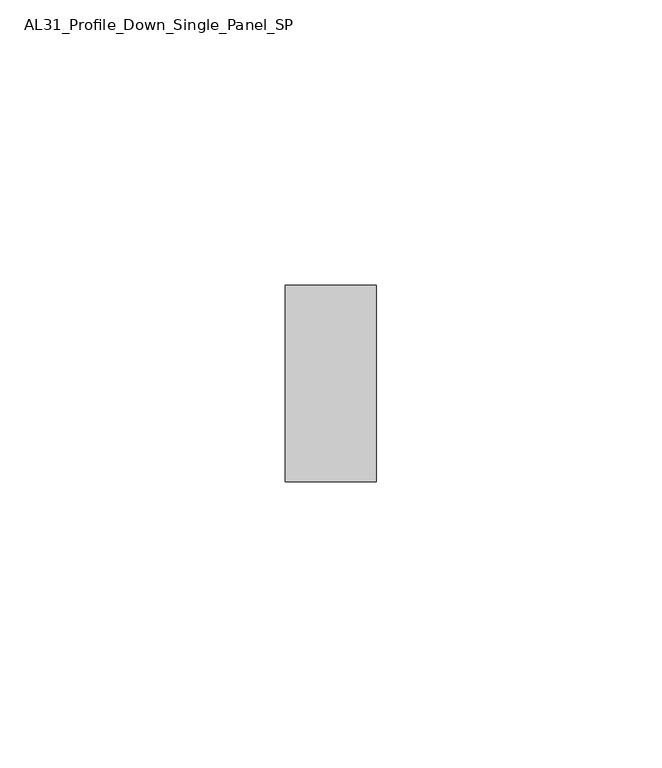
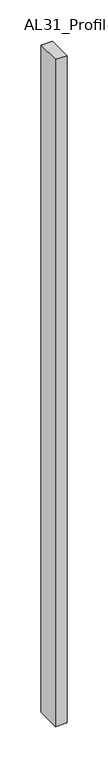
"""IFC4 building model written with IfcOpenShell, lengths in millimetres: member geometry, AL31_Profile_Down_Single_Panel_SP."""

import ifcopenshell
import ifcopenshell.guid

model = None  # the IFC model being written
_history = None  # IfcOwnerHistory: only IFC2X3 demands one
_inside = {}  # id of a spatial element -> (the spatial element, [elements in it])
_under = {}  # id of a project, library or spatial element -> (it, [spatial elements below it])
_declared = {}  # id of a project -> (the project, [libraries it declares])
_typed = {}  # id of a type object -> (the type object, [elements of that type])
_made_of = {}  # id of a material, layer set ... -> (it, [elements and type objects made of it])


def new_model(schema):
    """Start an empty IFC model of exactly this schema.

    Asked for "IFC4X3", IfcOpenShell would pick the latest addendum, in which some entities
    have other attributes; the version numbers below select the first issue.
    IFC2X3 requires an IfcOwnerHistory on every rooted entity: one is made here for all.
    """
    global model, _history
    if schema == "IFC4X3":
        model = ifcopenshell.file(schema_version=(4, 3, 0, 0))
    else:
        model = ifcopenshell.file(schema=schema)
    _inside.clear()
    _under.clear()
    _declared.clear()
    _typed.clear()
    _made_of.clear()
    _history = None
    if model.schema == "IFC2X3":
        org = make("IfcOrganization", Name="unknown")
        user = make(
            "IfcPersonAndOrganization",
            ThePerson=make("IfcPerson", FamilyName="unknown"),
            TheOrganization=org,
        )
        app = make(
            "IfcApplication",
            ApplicationDeveloper=org,
            Version="unknown",
            ApplicationFullName="unknown",
            ApplicationIdentifier="unknown",
        )
        _history = make(
            "IfcOwnerHistory",
            OwningUser=user,
            OwningApplication=app,
            ChangeAction="ADDED",
            CreationDate=0,
        )
    return model


def make(cls, **values):
    """One entity of the class cls with the attributes given. An attribute that is None is left unset."""
    return model.create_entity(
        cls, **{name: value for name, value in values.items() if value is not None}
    )


def rooted(cls, **values):
    """An entity with a GlobalId (a new one), such as an element, a storey or a relation."""
    return make(cls, GlobalId=ifcopenshell.guid.new(), OwnerHistory=_history, **values)


def si_unit(unit_type, name, prefix=None):
    """IfcSIUnit, for example si_unit("LENGTHUNIT", "METRE", prefix="MILLI")."""
    return make("IfcSIUnit", UnitType=unit_type, Prefix=prefix, Name=name)


def assignment(units):
    """IfcUnitAssignment: the units of a project."""
    return None if units is None else make("IfcUnitAssignment", Units=units)


def point(xyz):
    """IfcCartesianPoint."""
    return None if xyz is None else make("IfcCartesianPoint", Coordinates=xyz)


def direction(xyz):
    """IfcDirection."""
    return None if xyz is None else make("IfcDirection", DirectionRatios=xyz)


def frame(location, z_axis=None, x_axis=None):
    """IfcAxis2Placement3D, a coordinate frame: its origin and axes. An axis left out is left unset."""
    return make(
        "IfcAxis2Placement3D",
        Location=point(location),
        Axis=direction(z_axis),
        RefDirection=direction(x_axis),
    )


def origin():
    """The frame at (0, 0, 0) with its axes left unset."""
    return frame((0.0, 0.0, 0.0))


def place(relative_to, where):
    """IfcLocalPlacement: puts the frame where relative to a parent placement (None: the world)."""
    return make(
        "IfcLocalPlacement", PlacementRelTo=relative_to, RelativePlacement=where
    )


def context(
    kind, dimensions, precision=None, world=None, true_north=None, identifier=None
):
    """IfcGeometricRepresentationContext, for example the 3D "Model" context."""
    return make(
        "IfcGeometricRepresentationContext",
        ContextIdentifier=identifier,
        ContextType=kind,
        CoordinateSpaceDimension=dimensions,
        Precision=precision,
        WorldCoordinateSystem=world,
        TrueNorth=true_north,
    )


def project(units=None, contexts=None):
    """IfcProject with its units and contexts."""
    return rooted(
        "IfcProject",
        Name="project",
        RepresentationContexts=contexts,
        UnitsInContext=assignment(units),
    )


def spatial(cls, under=None, at=None, **own):
    """A site, building, storey or space (cls), placed at a placement, below another one or the project."""
    s = rooted(cls, ObjectPlacement=at, **own)
    if under is not None:
        _under.setdefault(under.id(), (under, []))[1].append(s)
    return s


def polyline(points):
    """IfcPolyline through the points."""
    return make("IfcPolyline", Points=[point(p) for p in points])


def outline(outer, holes=None, kind="AREA"):
    """IfcArbitraryClosedProfileDef: a profile drawn as a closed curve; with holes, ...WithVoids."""
    if holes is None:
        return make("IfcArbitraryClosedProfileDef", ProfileType=kind, OuterCurve=outer)
    return make(
        "IfcArbitraryProfileDefWithVoids",
        ProfileType=kind,
        OuterCurve=outer,
        InnerCurves=holes,
    )


def extrude(swept, where, along, depth):
    """IfcExtrudedAreaSolid: the profile swept, set in the frame where, extruded along a direction by depth."""
    return make(
        "IfcExtrudedAreaSolid",
        SweptArea=swept,
        Position=where,
        ExtrudedDirection=direction(along),
        Depth=depth,
    )


def shape(context_of_items, identifier, shape_type, items):
    """IfcShapeRepresentation: the items that make up one representation, for example the "Body"."""
    return make(
        "IfcShapeRepresentation",
        ContextOfItems=context_of_items,
        RepresentationIdentifier=identifier,
        RepresentationType=shape_type,
        Items=items,
    )


def source(mapping_origin, context_of_items, identifier, shape_type, items):
    """IfcRepresentationMap: a shape defined once, which mapped items show again and again."""
    return make(
        "IfcRepresentationMap",
        MappingOrigin=mapping_origin,
        MappedRepresentation=shape(context_of_items, identifier, shape_type, items),
    )


def transform(
    local_origin,
    x_axis=None,
    y_axis=None,
    z_axis=None,
    scale=None,
    scale2=None,
    scale3=None,
    uniform=True,
):
    """IfcCartesianTransformationOperator3D, or its non-uniform kind. x_axis, y_axis, z_axis: its Axis1, 2, 3."""
    if uniform:
        return make(
            "IfcCartesianTransformationOperator3D",
            Axis1=direction(x_axis),
            Axis2=direction(y_axis),
            LocalOrigin=point(local_origin),
            Scale=scale,
            Axis3=direction(z_axis),
        )
    return make(
        "IfcCartesianTransformationOperator3DnonUniform",
        Axis1=direction(x_axis),
        Axis2=direction(y_axis),
        LocalOrigin=point(local_origin),
        Scale=scale,
        Axis3=direction(z_axis),
        Scale2=scale2,
        Scale3=scale3,
    )


def mapped(mapping_source, mapping_target):
    """IfcMappedItem: shows the shape of a source again, moved by a transform."""
    return make(
        "IfcMappedItem", MappingSource=mapping_source, MappingTarget=mapping_target
    )


def made_of(thing, what):
    """Note that an element or type object is made of a material, layer set ...; save() writes the relation."""
    if what is not None:
        _made_of.setdefault(what.id(), (what, []))[1].append(thing)
    return thing


def element(
    cls,
    number,
    at=None,
    inside=None,
    cuts=None,
    type_object=None,
    material=None,
    context=None,
    identifier="Body",
    shape_type=None,
    held_by="IfcProductDefinitionShape",
    body=None,
    shapes=None,
    **own,
):
    """One element of the class cls, such as IfcWall. Its Tag is "e" and its number.

    at: its placement. inside: the storey or other place that contains it. cuts: it is an
    opening in that element (IfcRelVoidsElement). A single representation is given by context,
    identifier, shape_type and body (its items); several are given by shapes. held_by: the class
    of the entity that holds the representations. save() writes the other relations.
    """
    e = rooted(cls, Tag="e%d" % number, ObjectPlacement=at, **own)
    if body is not None:
        shapes = [shape(context, identifier, shape_type, body)]
    if shapes is not None:
        e.Representation = make(held_by, Representations=shapes)
    if inside is not None:
        _inside.setdefault(inside.id(), (inside, []))[1].append(e)
    if cuts is not None:
        rooted(
            "IfcRelVoidsElement", RelatingBuildingElement=cuts, RelatedOpeningElement=e
        )
    if type_object is not None:
        _typed.setdefault(type_object.id(), (type_object, []))[1].append(e)
    return made_of(e, material)


def aggregate(whole, parts):
    """IfcRelAggregates: a whole, such as a stair, and the parts it consists of."""
    return rooted("IfcRelAggregates", RelatingObject=whole, RelatedObjects=parts)


def save(model, path):
    """Write the relations noted so far, then the file.

    IfcRelAggregates (storeys below a building ...), IfcRelContainedInSpatialStructure (elements
    in a storey), IfcRelDefinesByType, IfcRelAssociatesMaterial and IfcRelDeclares: one each for
    every whole, place, type object, material and project.
    """
    for whole, parts in _under.values():
        aggregate(whole, parts)
    for where, things in _inside.values():
        rooted(
            "IfcRelContainedInSpatialStructure",
            RelatedElements=things,
            RelatingStructure=where,
        )
    for kind, things in _typed.values():
        rooted("IfcRelDefinesByType", RelatedObjects=things, RelatingType=kind)
    for what, things in _made_of.values():
        rooted("IfcRelAssociatesMaterial", RelatedObjects=things, RelatingMaterial=what)
    for by, libraries in _declared.values():
        rooted("IfcRelDeclares", RelatingContext=by, RelatedDefinitions=libraries)
    model.write(path)


def al31_profile_down_single_panel_sp_b6d51a99(model_context):
    return source(origin(), model_context, "Body", "SweptSolid", [
        extrude(outline(polyline([(0.0, -17.25), (-16.0, -17.25), (-16.0, 17.25), (0.0, 17.25), (0.0, -17.25)])), frame((0.0, 0.0, -984.9000012), z_axis=(0.0, 0.0, 1.0), x_axis=(1.0, 0.0, 0.0)), (0.0, 0.0, 1.0), 984.9000012),
    ])


if __name__ == "__main__":
    model = new_model("IFC4")
    model_context = context("Model", 3, world=origin())
    ifc_project = project(units=[si_unit("LENGTHUNIT", "METRE", prefix="MILLI")], contexts=[model_context])
    site = spatial("IfcSite", under=ifc_project)
    building = spatial("IfcBuilding", under=site)
    placement = place(None, origin())
    al31_profile_down_single_panel_sp_shape = al31_profile_down_single_panel_sp_b6d51a99(model_context)
    element("IfcMember", 1, ObjectType="AL31_Profile_Down_Single_Panel_SP", at=placement, inside=building, context=model_context, shape_type="MappedRepresentation", body=[
        mapped(al31_profile_down_single_panel_sp_shape, transform((0.0, 0.0, 0.0), x_axis=(1.0, 0.0, 0.0), y_axis=(0.0, 1.0, 0.0), z_axis=(0.0, 0.0, 1.0))),
    ])
    save(model, "model.ifc")
